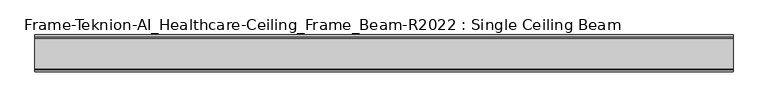
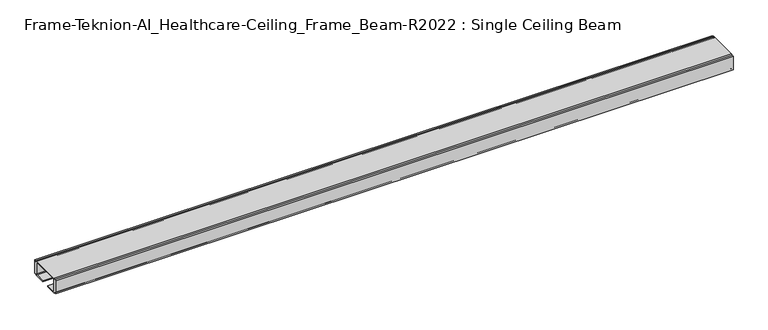
"""IFC4 building model written with IfcOpenShell, lengths in millimetres: furniture geometry, Frame-Teknion-AI_Healthcare-Ceiling_Frame_Beam-R2022 : Single Ceiling Beam."""

import ifcopenshell
import ifcopenshell.guid

model = None  # the IFC model being written
_history = None  # IfcOwnerHistory: only IFC2X3 demands one
_inside = {}  # id of a spatial element -> (the spatial element, [elements in it])
_under = {}  # id of a project, library or spatial element -> (it, [spatial elements below it])
_declared = {}  # id of a project -> (the project, [libraries it declares])
_typed = {}  # id of a type object -> (the type object, [elements of that type])
_made_of = {}  # id of a material, layer set ... -> (it, [elements and type objects made of it])


def new_model(schema):
    """Start an empty IFC model of exactly this schema.

    Asked for "IFC4X3", IfcOpenShell would pick the latest addendum, in which some entities
    have other attributes; the version numbers below select the first issue.
    IFC2X3 requires an IfcOwnerHistory on every rooted entity: one is made here for all.
    """
    global model, _history
    if schema == "IFC4X3":
        model = ifcopenshell.file(schema_version=(4, 3, 0, 0))
    else:
        model = ifcopenshell.file(schema=schema)
    _inside.clear()
    _under.clear()
    _declared.clear()
    _typed.clear()
    _made_of.clear()
    _history = None
    if model.schema == "IFC2X3":
        org = make("IfcOrganization", Name="unknown")
        user = make(
            "IfcPersonAndOrganization",
            ThePerson=make("IfcPerson", FamilyName="unknown"),
            TheOrganization=org,
        )
        app = make(
            "IfcApplication",
            ApplicationDeveloper=org,
            Version="unknown",
            ApplicationFullName="unknown",
            ApplicationIdentifier="unknown",
        )
        _history = make(
            "IfcOwnerHistory",
            OwningUser=user,
            OwningApplication=app,
            ChangeAction="ADDED",
            CreationDate=0,
        )
    return model


def make(cls, **values):
    """One entity of the class cls with the attributes given. An attribute that is None is left unset."""
    return model.create_entity(
        cls, **{name: value for name, value in values.items() if value is not None}
    )


def rooted(cls, **values):
    """An entity with a GlobalId (a new one), such as an element, a storey or a relation."""
    return make(cls, GlobalId=ifcopenshell.guid.new(), OwnerHistory=_history, **values)


def si_unit(unit_type, name, prefix=None):
    """IfcSIUnit, for example si_unit("LENGTHUNIT", "METRE", prefix="MILLI")."""
    return make("IfcSIUnit", UnitType=unit_type, Prefix=prefix, Name=name)


def assignment(units):
    """IfcUnitAssignment: the units of a project."""
    return None if units is None else make("IfcUnitAssignment", Units=units)


def point(xyz):
    """IfcCartesianPoint."""
    return None if xyz is None else make("IfcCartesianPoint", Coordinates=xyz)


def direction(xyz):
    """IfcDirection."""
    return None if xyz is None else make("IfcDirection", DirectionRatios=xyz)


def frame(location, z_axis=None, x_axis=None):
    """IfcAxis2Placement3D, a coordinate frame: its origin and axes. An axis left out is left unset."""
    return make(
        "IfcAxis2Placement3D",
        Location=point(location),
        Axis=direction(z_axis),
        RefDirection=direction(x_axis),
    )


def frame_2d(location, x_axis=None):
    """IfcAxis2Placement2D, a coordinate frame in the plane: its origin and x axis."""
    return make(
        "IfcAxis2Placement2D", Location=point(location), RefDirection=direction(x_axis)
    )


def origin():
    """The frame at (0, 0, 0) with its axes left unset."""
    return frame((0.0, 0.0, 0.0))


def place(relative_to, where):
    """IfcLocalPlacement: puts the frame where relative to a parent placement (None: the world)."""
    return make(
        "IfcLocalPlacement", PlacementRelTo=relative_to, RelativePlacement=where
    )


def context(
    kind, dimensions, precision=None, world=None, true_north=None, identifier=None
):
    """IfcGeometricRepresentationContext, for example the 3D "Model" context."""
    return make(
        "IfcGeometricRepresentationContext",
        ContextIdentifier=identifier,
        ContextType=kind,
        CoordinateSpaceDimension=dimensions,
        Precision=precision,
        WorldCoordinateSystem=world,
        TrueNorth=true_north,
    )


def project(units=None, contexts=None):
    """IfcProject with its units and contexts."""
    return rooted(
        "IfcProject",
        Name="project",
        RepresentationContexts=contexts,
        UnitsInContext=assignment(units),
    )


def spatial(cls, under=None, at=None, **own):
    """A site, building, storey or space (cls), placed at a placement, below another one or the project."""
    s = rooted(cls, ObjectPlacement=at, **own)
    if under is not None:
        _under.setdefault(under.id(), (under, []))[1].append(s)
    return s


def polyline(points):
    """IfcPolyline through the points."""
    return make("IfcPolyline", Points=[point(p) for p in points])


def circle_curve(where, radius):
    """IfcCircle in the frame where."""
    return make("IfcCircle", Position=where, Radius=radius)


def trimmed(basis, trim1, trim2, sense, master):
    """IfcTrimmedCurve: the piece of a basis curve between two trims."""
    return make(
        "IfcTrimmedCurve",
        BasisCurve=basis,
        Trim1=trim1,
        Trim2=trim2,
        SenseAgreement=sense,
        MasterRepresentation=master,
    )


def segment(curve, same_sense, transition):
    """IfcCompositeCurveSegment."""
    return make(
        "IfcCompositeCurveSegment",
        Transition=transition,
        SameSense=same_sense,
        ParentCurve=curve,
    )


def composite_curve(segments, self_intersect=None):
    """IfcCompositeCurve: segments joined end to end."""
    return make("IfcCompositeCurve", Segments=segments, SelfIntersect=self_intersect)


def outline(outer, holes=None, kind="AREA"):
    """IfcArbitraryClosedProfileDef: a profile drawn as a closed curve; with holes, ...WithVoids."""
    if holes is None:
        return make("IfcArbitraryClosedProfileDef", ProfileType=kind, OuterCurve=outer)
    return make(
        "IfcArbitraryProfileDefWithVoids",
        ProfileType=kind,
        OuterCurve=outer,
        InnerCurves=holes,
    )


def extrude(swept, where, along, depth):
    """IfcExtrudedAreaSolid: the profile swept, set in the frame where, extruded along a direction by depth."""
    return make(
        "IfcExtrudedAreaSolid",
        SweptArea=swept,
        Position=where,
        ExtrudedDirection=direction(along),
        Depth=depth,
    )


def shape(context_of_items, identifier, shape_type, items):
    """IfcShapeRepresentation: the items that make up one representation, for example the "Body"."""
    return make(
        "IfcShapeRepresentation",
        ContextOfItems=context_of_items,
        RepresentationIdentifier=identifier,
        RepresentationType=shape_type,
        Items=items,
    )


def source(mapping_origin, context_of_items, identifier, shape_type, items):
    """IfcRepresentationMap: a shape defined once, which mapped items show again and again."""
    return make(
        "IfcRepresentationMap",
        MappingOrigin=mapping_origin,
        MappedRepresentation=shape(context_of_items, identifier, shape_type, items),
    )


def transform(
    local_origin,
    x_axis=None,
    y_axis=None,
    z_axis=None,
    scale=None,
    scale2=None,
    scale3=None,
    uniform=True,
):
    """IfcCartesianTransformationOperator3D, or its non-uniform kind. x_axis, y_axis, z_axis: its Axis1, 2, 3."""
    if uniform:
        return make(
            "IfcCartesianTransformationOperator3D",
            Axis1=direction(x_axis),
            Axis2=direction(y_axis),
            LocalOrigin=point(local_origin),
            Scale=scale,
            Axis3=direction(z_axis),
        )
    return make(
        "IfcCartesianTransformationOperator3DnonUniform",
        Axis1=direction(x_axis),
        Axis2=direction(y_axis),
        LocalOrigin=point(local_origin),
        Scale=scale,
        Axis3=direction(z_axis),
        Scale2=scale2,
        Scale3=scale3,
    )


def mapped(mapping_source, mapping_target):
    """IfcMappedItem: shows the shape of a source again, moved by a transform."""
    return make(
        "IfcMappedItem", MappingSource=mapping_source, MappingTarget=mapping_target
    )


def made_of(thing, what):
    """Note that an element or type object is made of a material, layer set ...; save() writes the relation."""
    if what is not None:
        _made_of.setdefault(what.id(), (what, []))[1].append(thing)
    return thing


def element(
    cls,
    number,
    at=None,
    inside=None,
    cuts=None,
    type_object=None,
    material=None,
    context=None,
    identifier="Body",
    shape_type=None,
    held_by="IfcProductDefinitionShape",
    body=None,
    shapes=None,
    **own,
):
    """One element of the class cls, such as IfcWall. Its Tag is "e" and its number.

    at: its placement. inside: the storey or other place that contains it. cuts: it is an
    opening in that element (IfcRelVoidsElement). A single representation is given by context,
    identifier, shape_type and body (its items); several are given by shapes. held_by: the class
    of the entity that holds the representations. save() writes the other relations.
    """
    e = rooted(cls, Tag="e%d" % number, ObjectPlacement=at, **own)
    if body is not None:
        shapes = [shape(context, identifier, shape_type, body)]
    if shapes is not None:
        e.Representation = make(held_by, Representations=shapes)
    if inside is not None:
        _inside.setdefault(inside.id(), (inside, []))[1].append(e)
    if cuts is not None:
        rooted(
            "IfcRelVoidsElement", RelatingBuildingElement=cuts, RelatedOpeningElement=e
        )
    if type_object is not None:
        _typed.setdefault(type_object.id(), (type_object, []))[1].append(e)
    return made_of(e, material)


def aggregate(whole, parts):
    """IfcRelAggregates: a whole, such as a stair, and the parts it consists of."""
    return rooted("IfcRelAggregates", RelatingObject=whole, RelatedObjects=parts)


def save(model, path):
    """Write the relations noted so far, then the file.

    IfcRelAggregates (storeys below a building ...), IfcRelContainedInSpatialStructure (elements
    in a storey), IfcRelDefinesByType, IfcRelAssociatesMaterial and IfcRelDeclares: one each for
    every whole, place, type object, material and project.
    """
    for whole, parts in _under.values():
        aggregate(whole, parts)
    for where, things in _inside.values():
        rooted(
            "IfcRelContainedInSpatialStructure",
            RelatedElements=things,
            RelatingStructure=where,
        )
    for kind, things in _typed.values():
        rooted("IfcRelDefinesByType", RelatedObjects=things, RelatingType=kind)
    for what, things in _made_of.values():
        rooted("IfcRelAssociatesMaterial", RelatedObjects=things, RelatingMaterial=what)
    for by, libraries in _declared.values():
        rooted("IfcRelDeclares", RelatingContext=by, RelatedDefinitions=libraries)
    model.write(path)


def frame_teknion_ai_healthcare_ceiling_frame_beam_r2022_single_129b24f0(model_context):
    return source(origin(), model_context, "Body", "SweptSolid", [
        extrude(outline(composite_curve([segment(polyline([(-32.174996, 1573.5046), (-32.174996, 1598.9045998), (-28.999999, 1598.9045998), (-28.999999, 1597.787)]), True, "CONTINUOUS"), segment(trimmed(circle_curve(frame_2d((-26.5869991, 1597.787)), 2.413), [point((-28.999999, 1597.787))], [point((-26.5869991, 1600.2))], False, "CARTESIAN"), True, "CONTINUOUS"), segment(polyline([(-26.5869991, 1600.2), (26.5869991, 1600.2)]), True, "CONTINUOUS"), segment(trimmed(circle_curve(frame_2d((26.5869991, 1597.787)), 2.413), [point((26.5869991, 1600.2))], [point((28.999999, 1597.787))], False, "CARTESIAN"), True, "CONTINUOUS"), segment(polyline([(28.999999, 1597.787), (28.999999, 1598.9045998), (32.174996, 1598.9045998), (32.174996, 1573.5046), (28.999999, 1573.5046), (28.999999, 1574.6129989)]), True, "CONTINUOUS"), segment(trimmed(circle_curve(frame_2d((26.5869991, 1574.6129989)), 2.413), [point((28.999999, 1574.6129989))], [point((26.5869991, 1572.199999))], False, "CARTESIAN"), True, "CONTINUOUS"), segment(polyline([(26.5869991, 1572.199999), (7.9374947, 1572.199999), (7.9374947, 1574.4859991), (25.4440002, 1574.4859991)]), True, "CONTINUOUS"), segment(trimmed(circle_curve(frame_2d((25.4440002, 1576.0099999)), 1.5240008), [point((25.4440002, 1574.4859991))], [point((26.968001, 1576.0099999))], True, "CARTESIAN"), True, "CONTINUOUS"), segment(polyline([(26.968001, 1576.0099999), (26.968001, 1597.1520009)]), True, "CONTINUOUS"), segment(trimmed(circle_curve(frame_2d((25.9520019, 1597.1520009)), 1.015999), [point((26.968001, 1597.1520009))], [point((25.9520019, 1598.168))], True, "CARTESIAN"), True, "CONTINUOUS"), segment(polyline([(25.9520019, 1598.168), (-25.9520019, 1598.168)]), True, "CONTINUOUS"), segment(trimmed(circle_curve(frame_2d((-25.9520019, 1597.1520009)), 1.015999), [point((-25.9520019, 1598.168))], [point((-26.968001, 1597.1520009))], True, "CARTESIAN"), True, "CONTINUOUS"), segment(polyline([(-26.968001, 1597.1520009), (-26.968001, 1576.0099999)]), True, "CONTINUOUS"), segment(trimmed(circle_curve(frame_2d((-25.4440002, 1576.0099999)), 1.5240008), [point((-26.968001, 1576.0099999))], [point((-25.4440002, 1574.4859991))], True, "CARTESIAN"), True, "CONTINUOUS"), segment(polyline([(-25.4440002, 1574.4859991), (-7.9374947, 1574.4859991), (-7.9374947, 1572.199999), (-26.5869991, 1572.199999)]), True, "CONTINUOUS"), segment(trimmed(circle_curve(frame_2d((-26.5869991, 1574.6129989)), 2.413), [point((-26.5869991, 1572.199999))], [point((-28.999999, 1574.6129989))], False, "CARTESIAN"), True, "CONTINUOUS"), segment(polyline([(-28.999999, 1574.6129989), (-28.999999, 1573.5046), (-32.174996, 1573.5046)]), True, "CONTINUOUS")], self_intersect=False)), frame((-607.7204, 0.0, 0.0), z_axis=(1.0, 0.0, 0.0), x_axis=(0.0, 1.0, 0.0)), (0.0, 0.0, 1.0), 1215.4408),
    ])


if __name__ == "__main__":
    model = new_model("IFC4")
    model_context = context("Model", 3, world=origin())
    ifc_project = project(units=[si_unit("LENGTHUNIT", "METRE", prefix="MILLI")], contexts=[model_context])
    site = spatial("IfcSite", under=ifc_project)
    building = spatial("IfcBuilding", under=site)
    placement = place(None, origin())
    frame_teknion_ai_healthcare_ceiling_frame_beam_r2022_single_shape = frame_teknion_ai_healthcare_ceiling_frame_beam_r2022_single_129b24f0(model_context)
    element("IfcFurniture", 1, ObjectType="Frame-Teknion-AI_Healthcare-Ceiling_Frame_Beam-R2022 : Single Ceiling Beam", at=placement, inside=building, context=model_context, shape_type="MappedRepresentation", body=[
        mapped(frame_teknion_ai_healthcare_ceiling_frame_beam_r2022_single_shape, transform((0.0, 0.0, 0.0), x_axis=(1.0, 0.0, 0.0), y_axis=(0.0, 1.0, 0.0), z_axis=(0.0, 0.0, 1.0))),
    ])
    save(model, "model.ifc")
